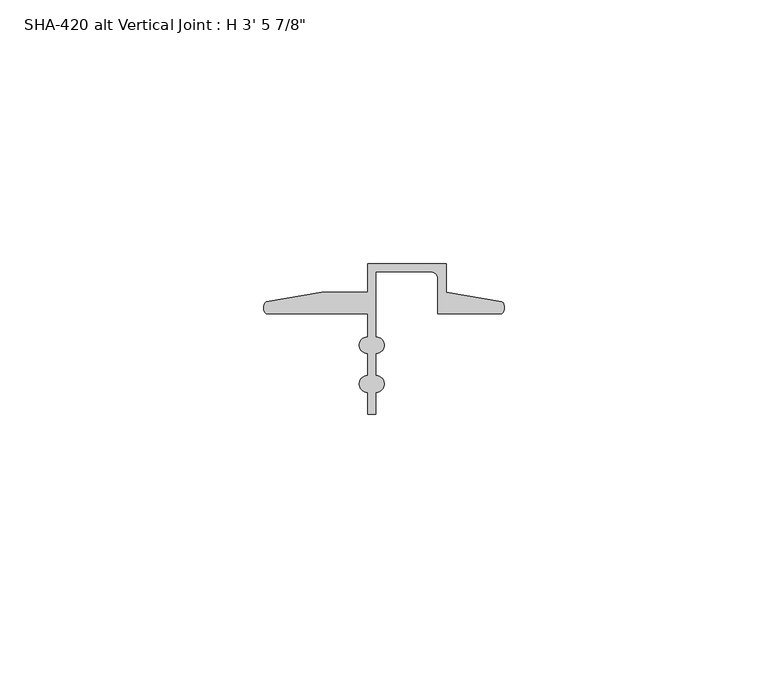
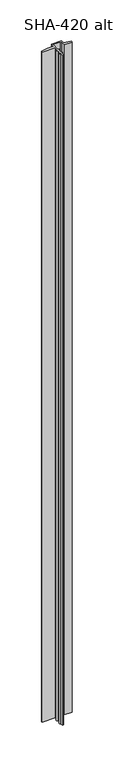
"""IFC4 building model written with IfcOpenShell, lengths in millimetres: proxy geometry."""

from ifc_helpers import new_model, si_unit, point, frame_2d, origin, origin_with_axes, place, context, project, spatial, polyline, circle_curve, trimmed, segment, composite_curve, outline, extrude, source, transform, mapped, element, save


def proxy_dca027a4(model_context):
    return source(origin(), model_context, "Body", "SweptSolid", [
        extrude(outline(composite_curve([segment(trimmed(circle_curve(frame_2d((1.6155848, 11.7336765)), 1.6162393), [point((0.5248271, 10.541))], [point((0.4587433, 12.8623692))], False, "CARTESIAN"), True, "CONTINUOUS"), segment(polyline([(0.4587433, 12.8623692), (11.0348302, 14.673343), (19.7299797, 14.673343), (19.7299797, 20.0914), (34.6397797, 20.0914), (34.6397797, 14.698743), (45.2158666, 12.8877692)]), True, "CONTINUOUS"), segment(trimmed(circle_curve(frame_2d((44.0583525, 11.7590956)), 1.6167075), [point((45.2158666, 12.8877692))], [point((45.1497828, 10.5664))], False, "CARTESIAN"), True, "CONTINUOUS"), segment(polyline([(45.1497828, 10.5664), (33.0649797, 10.5664), (33.0649797, 17.2466)]), True, "CONTINUOUS"), segment(trimmed(circle_curve(frame_2d((31.7949797, 17.2466)), 1.27), [point((33.0649797, 17.2466))], [point((31.7949797, 18.5166))], True, "CARTESIAN"), True, "CONTINUOUS"), segment(polyline([(31.7949797, 18.5166), (21.3047797, 18.5166), (21.3047797, 6.1976)]), True, "CONTINUOUS"), segment(trimmed(circle_curve(frame_2d((21.3047797, 4.6228)), 1.5748), [point((21.3047797, 6.1976))], [point((21.3047797, 3.048))], False, "CARTESIAN"), True, "CONTINUOUS"), segment(polyline([(21.3047797, 3.048), (21.3047797, -1.1557)]), True, "CONTINUOUS"), segment(trimmed(circle_curve(frame_2d((21.3047797, -2.7305)), 1.5748), [point((21.3047797, -1.1557))], [point((21.3047797, -4.3053))], False, "CARTESIAN"), True, "CONTINUOUS"), segment(polyline([(21.3047797, -4.3053), (21.3047797, -8.509), (19.7299794, -8.509), (19.7299794, -4.3053)]), True, "CONTINUOUS"), segment(trimmed(circle_curve(frame_2d((19.7299794, -2.7305)), 1.5748), [point((19.7299794, -4.3053))], [point((19.7299794, -1.1557))], False, "CARTESIAN"), True, "CONTINUOUS"), segment(polyline([(19.7299794, -1.1557), (19.7299794, 3.048)]), True, "CONTINUOUS"), segment(trimmed(circle_curve(frame_2d((19.7299794, 4.6228)), 1.5748), [point((19.7299794, 3.048))], [point((19.7299794, 6.1976))], False, "CARTESIAN"), True, "CONTINUOUS"), segment(polyline([(19.7299794, 6.1976), (19.7299794, 10.541), (0.5248271, 10.541)]), True, "CONTINUOUS")], self_intersect=False)), origin_with_axes(), (0.0, 0.0, 1.0), 1063.625),
    ])


if __name__ == "__main__":
    model = new_model("IFC4")
    model_context = context("Model", 3, world=origin())
    ifc_project = project(units=[si_unit("LENGTHUNIT", "METRE", prefix="MILLI")], contexts=[model_context])
    site = spatial("IfcSite", under=ifc_project)
    building = spatial("IfcBuilding", under=site)
    placement = place(None, origin())
    proxy_shape = proxy_dca027a4(model_context)
    element("IfcBuildingElementProxy", 1, Name="SHA-420 alt Vertical Joint : H 3' 5 7/8\"", ObjectType="SHA-420 alt Vertical Joint : H 3' 5 7/8\"", at=placement, inside=building, context=model_context, shape_type="MappedRepresentation", body=[
        mapped(proxy_shape, transform((0.0, 0.0, 0.0), x_axis=(1.0, 0.0, 0.0), y_axis=(0.0, 1.0, 0.0), z_axis=(0.0, 0.0, 1.0))),
    ])
    save(model, "model.ifc")
